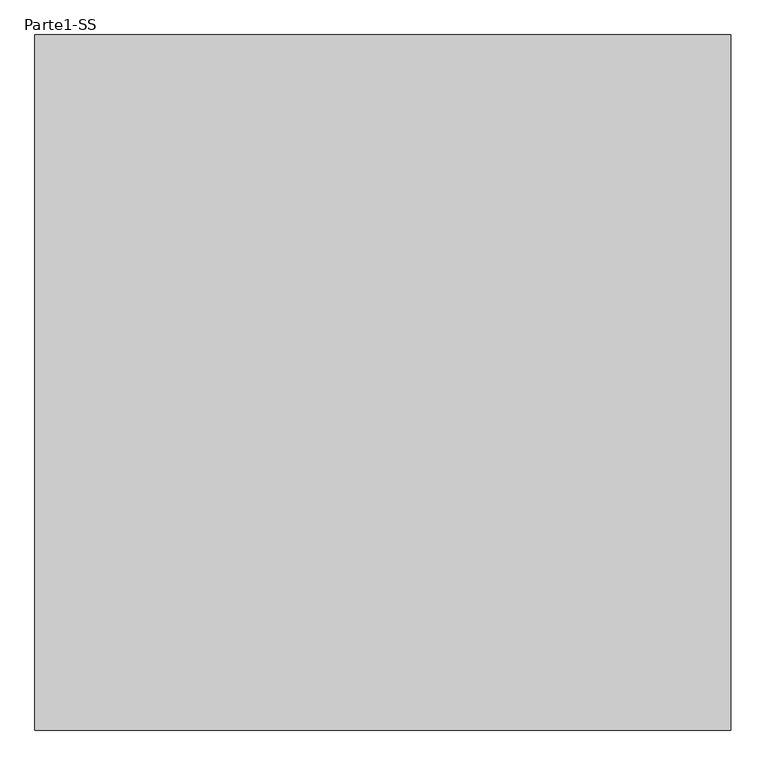
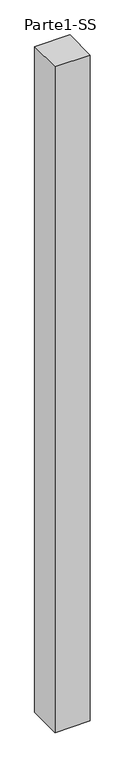
"""IFC4 building model written with IfcOpenShell, lengths in millimetres: proxy geometry, Parte1-SS."""

from ifc_helpers import new_model, si_unit, frame, origin, place, context, project, spatial, polyline, outline, extrude, source, transform, mapped, element, save


def parte1_ss_52922e38(model_context):
    return source(origin(), model_context, "Body", "SweptSolid", [
        extrude(outline(polyline([(2000.0, 2000.0), (2000.0, 0.0), (0.0, 0.0), (0.0, 2000.0), (2000.0, 2000.0)])), frame((0.0, 0.0, 5000.0), z_axis=(0.0, 0.0, 1.0), x_axis=(1.0, 0.0, 0.0)), (0.0, 0.0, 1.0), 40000.0),
    ])


if __name__ == "__main__":
    model = new_model("IFC4")
    model_context = context("Model", 3, world=origin())
    ifc_project = project(units=[si_unit("LENGTHUNIT", "METRE", prefix="MILLI")], contexts=[model_context])
    site = spatial("IfcSite", under=ifc_project)
    building = spatial("IfcBuilding", under=site)
    placement = place(None, origin())
    parte1_ss_shape = parte1_ss_52922e38(model_context)
    element("IfcBuildingElementProxy", 1, Name="Parte1-SS", ObjectType="Parte1-SS", at=placement, inside=building, context=model_context, shape_type="MappedRepresentation", body=[
        mapped(parte1_ss_shape, transform((0.0, 0.0, 0.0), x_axis=(1.0, 0.0, 0.0), y_axis=(0.0, 1.0, 0.0), z_axis=(0.0, 0.0, 1.0))),
    ])
    save(model, "model.ifc")
